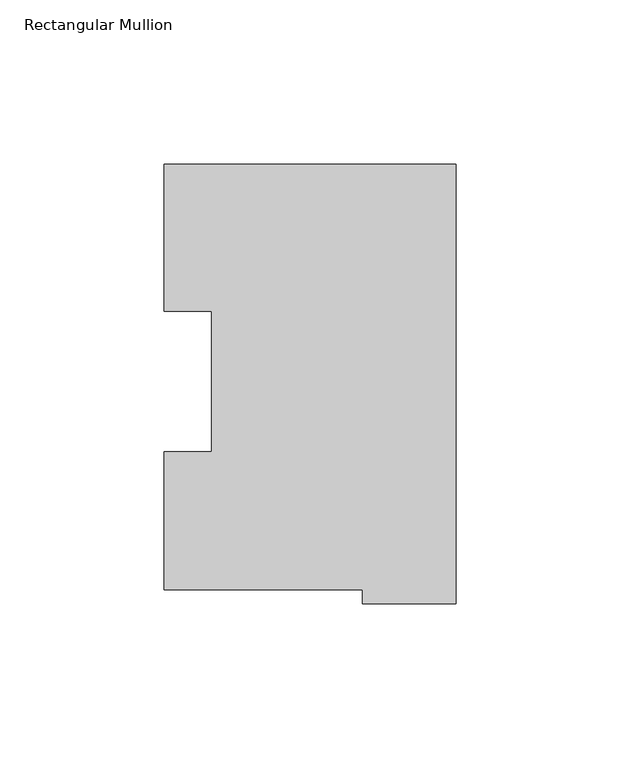
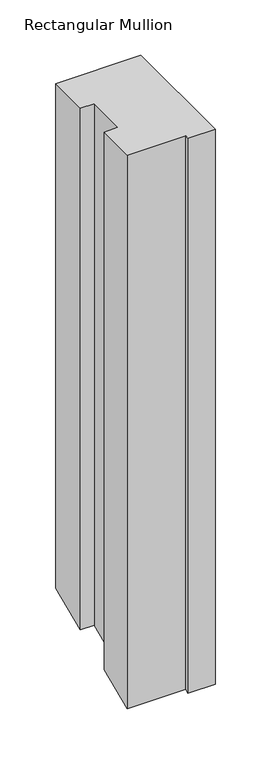
"""IFC4 building model written with IfcOpenShell, lengths in millimetres: member geometry, Rectangular Mullion."""

from ifc_helpers import new_model, si_unit, origin, place, context, project, spatial, faceted_brep, source, transform, mapped, element, save


def rectangular_mullion_95076ff3(model_context):
    return source(origin(), model_context, "Body", "Brep", [
        faceted_brep([(-88.99652, 130.0368875, 0.0), (-88.99652, 85.1296875, 0.0), (-74.6252, 85.1296875, 0.0), (-74.6252, 42.2798875, 0.0), (-89.1408142, 42.2798875, 0.0), (-89.1408142, 0.2428875, 0.0), (-28.56992, 0.2428875, 0.0), (-28.56992, -3.9735125, 0.0), (0.0, -3.9735125, 0.0), (0.0, 130.0368875, 0.0), (-88.99652, 130.0368875, -555.7369576), (-88.99652, 85.1296875, -574.3381289), (-74.6252, 85.1296875, -574.3381289), (-74.6252, 42.2798875, -592.0870972), (-89.1408142, 42.2798875, -592.0870972), (-89.1408142, 0.2428875, -609.4993927), (-28.56992, 0.2428875, -609.4993927), (-28.56992, -3.9735125, -611.2458828), (0.0, -3.9735125, -611.2458828), (0.0, 130.0368875, -555.7369576)], [[[0, 1, 2, 3, 4, 5, 6, 7, 8, 9]], [[1, 0, 10, 11]], [[2, 1, 11, 12]], [[3, 2, 12, 13]], [[4, 3, 13, 14]], [[5, 4, 14, 15]], [[6, 5, 15, 16]], [[7, 6, 16, 17]], [[8, 7, 17, 18]], [[9, 8, 18, 19]], [[0, 9, 19, 10]], [[10, 19, 18, 17, 16, 15, 14, 13, 12, 11]]]),
    ])


if __name__ == "__main__":
    model = new_model("IFC4")
    model_context = context("Model", 3, world=origin())
    ifc_project = project(units=[si_unit("LENGTHUNIT", "METRE", prefix="MILLI")], contexts=[model_context])
    site = spatial("IfcSite", under=ifc_project)
    building = spatial("IfcBuilding", under=site)
    placement = place(None, origin())
    rectangular_mullion_shape = rectangular_mullion_95076ff3(model_context)
    element("IfcMember", 1, ObjectType="Rectangular Mullion", at=placement, inside=building, context=model_context, shape_type="MappedRepresentation", body=[
        mapped(rectangular_mullion_shape, transform((0.0, 0.0, 0.0), x_axis=(1.0, 0.0, 0.0), y_axis=(0.0, 1.0, 0.0), z_axis=(0.0, 0.0, 1.0))),
    ])
    save(model, "model.ifc")
